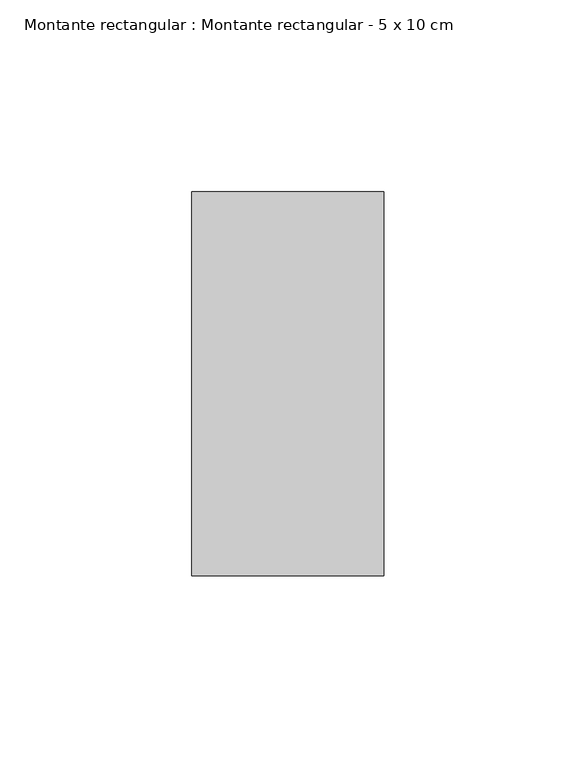
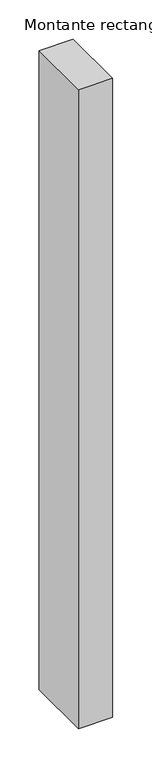
"""IFC4 building model written with IfcOpenShell, lengths in millimetres: member geometry, Montante rectangular : Montante rectangular - 5 x 10 cm."""

from ifc_helpers import new_model, si_unit, frame, origin, place, context, project, spatial, polyline, outline, extrude, source, transform, mapped, element, save


def montante_rectangular_montante_rectangular_5_x_10_cm_46acaa28(model_context):
    return source(origin(), model_context, "Body", "SweptSolid", [
        extrude(outline(polyline([(0.0, 50.0), (0.0, -50.0), (-50.0, -50.0), (-50.0, 50.0), (0.0, 50.0)])), frame((0.0, 0.0, -991.0655331), z_axis=(0.0, 0.0, 1.0), x_axis=(1.0, 0.0, 0.0)), (0.0, 0.0, 1.0), 991.0655331),
    ])


if __name__ == "__main__":
    model = new_model("IFC4")
    model_context = context("Model", 3, world=origin())
    ifc_project = project(units=[si_unit("LENGTHUNIT", "METRE", prefix="MILLI")], contexts=[model_context])
    site = spatial("IfcSite", under=ifc_project)
    building = spatial("IfcBuilding", under=site)
    placement = place(None, origin())
    montante_rectangular_montante_rectangular_5_x_10_cm_shape = montante_rectangular_montante_rectangular_5_x_10_cm_46acaa28(model_context)
    element("IfcMember", 1, ObjectType="Montante rectangular : Montante rectangular - 5 x 10 cm", at=placement, inside=building, context=model_context, shape_type="MappedRepresentation", body=[
        mapped(montante_rectangular_montante_rectangular_5_x_10_cm_shape, transform((0.0, 0.0, 0.0), x_axis=(1.0, 0.0, 0.0), y_axis=(0.0, 1.0, 0.0), z_axis=(0.0, 0.0, 1.0))),
    ])
    save(model, "model.ifc")
